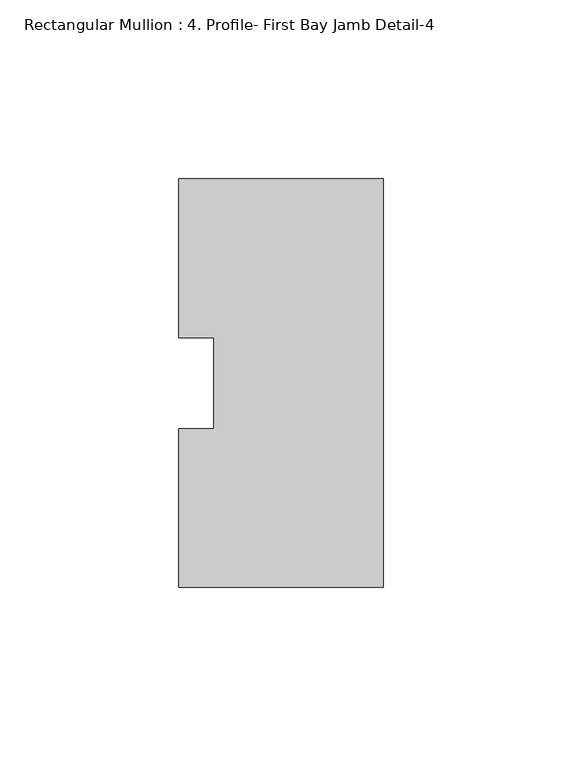
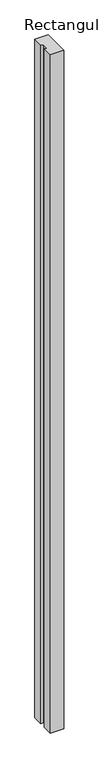
"""IFC4 building model written with IfcOpenShell, lengths in millimetres: member geometry, Rectangular Mullion : 4. Profile- First Bay Jamb Detail-4."""

from ifc_helpers import new_model, si_unit, frame, origin, place, context, project, spatial, polyline, outline, extrude, source, transform, mapped, element, save


def rectangular_mullion_4_profile_first_bay_jamb_detail_4_523273b8(model_context):
    return source(origin(), model_context, "Body", "SweptSolid", [
        extrude(outline(polyline([(-57.15, -57.13891), (-57.15, -12.7438492), (-47.3075, -12.7438492), (-47.3075, 12.7438492), (-57.15, 12.7438492), (-57.15, 57.16109), (0.0, 57.16109), (0.0, -57.13891), (-57.15, -57.13891)])), frame((0.0, 0.0, -3048.0), z_axis=(0.0, 0.0, 1.0), x_axis=(1.0, 0.0, 0.0)), (0.0, 0.0, 1.0), 3048.0),
    ])


if __name__ == "__main__":
    model = new_model("IFC4")
    model_context = context("Model", 3, world=origin())
    ifc_project = project(units=[si_unit("LENGTHUNIT", "METRE", prefix="MILLI")], contexts=[model_context])
    site = spatial("IfcSite", under=ifc_project)
    building = spatial("IfcBuilding", under=site)
    placement = place(None, origin())
    rectangular_mullion_4_profile_first_bay_jamb_detail_4_shape = rectangular_mullion_4_profile_first_bay_jamb_detail_4_523273b8(model_context)
    element("IfcMember", 1, ObjectType="Rectangular Mullion : 4. Profile- First Bay Jamb Detail-4", at=placement, inside=building, context=model_context, shape_type="MappedRepresentation", body=[
        mapped(rectangular_mullion_4_profile_first_bay_jamb_detail_4_shape, transform((0.0, 0.0, 0.0), x_axis=(1.0, 0.0, 0.0), y_axis=(0.0, 1.0, 0.0), z_axis=(0.0, 0.0, 1.0))),
    ])
    save(model, "model.ifc")
